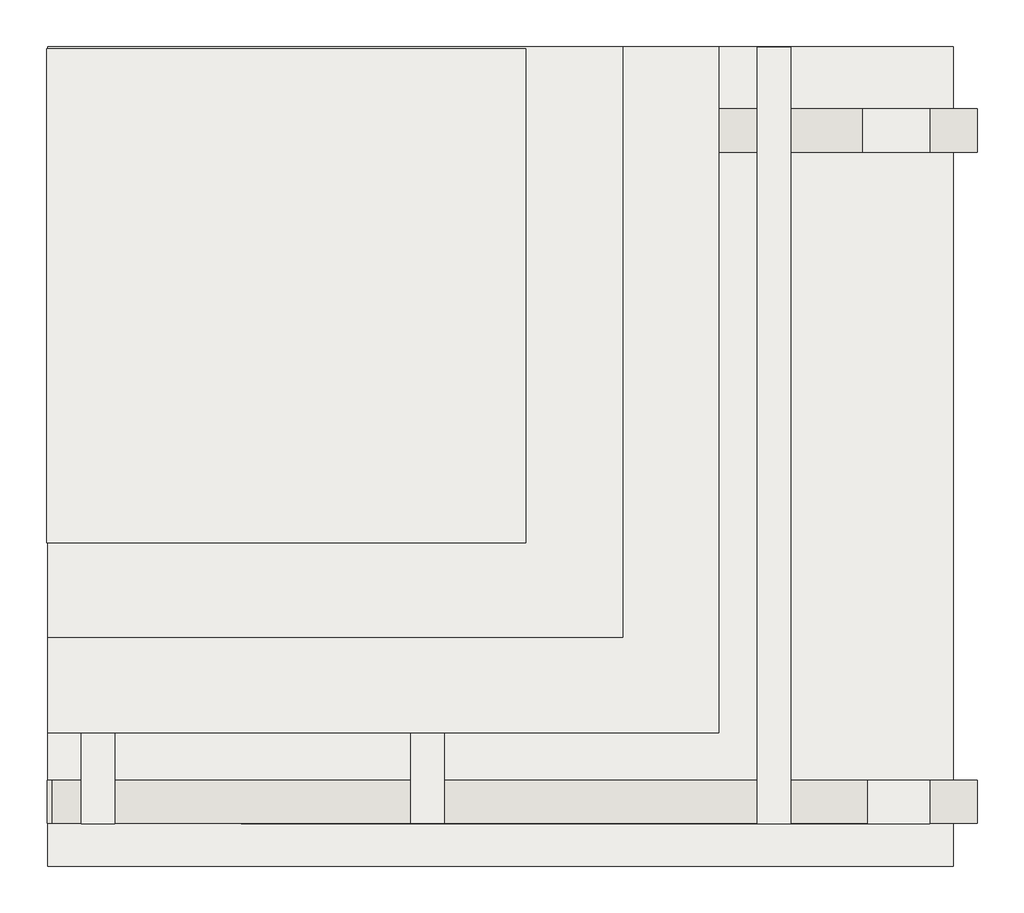
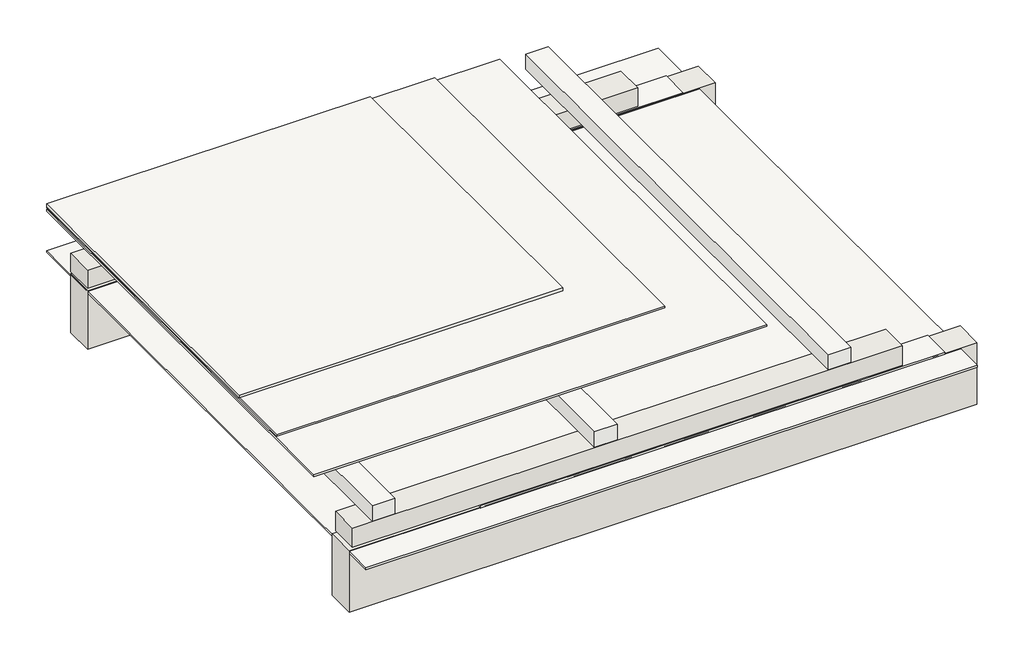
# One storey: 6 slabs, 4 walls, 3 coverings.
"""IFC4 building model written with IfcOpenShell, lengths in millimetres."""

import ifcopenshell
import ifcopenshell.guid

model = None  # the IFC model being written
_history = None  # IfcOwnerHistory: only IFC2X3 demands one
_inside = {}  # id of a spatial element -> (the spatial element, [elements in it])
_under = {}  # id of a project, library or spatial element -> (it, [spatial elements below it])
_declared = {}  # id of a project -> (the project, [libraries it declares])
_typed = {}  # id of a type object -> (the type object, [elements of that type])
_made_of = {}  # id of a material, layer set ... -> (it, [elements and type objects made of it])


def new_model(schema):
    """Start an empty IFC model of exactly this schema.

    Asked for "IFC4X3", IfcOpenShell would pick the latest addendum, in which some entities
    have other attributes; the version numbers below select the first issue.
    IFC2X3 requires an IfcOwnerHistory on every rooted entity: one is made here for all.
    """
    global model, _history
    if schema == "IFC4X3":
        model = ifcopenshell.file(schema_version=(4, 3, 0, 0))
    else:
        model = ifcopenshell.file(schema=schema)
    _inside.clear()
    _under.clear()
    _declared.clear()
    _typed.clear()
    _made_of.clear()
    _history = None
    if model.schema == "IFC2X3":
        org = make("IfcOrganization", Name="unknown")
        user = make(
            "IfcPersonAndOrganization",
            ThePerson=make("IfcPerson", FamilyName="unknown"),
            TheOrganization=org,
        )
        app = make(
            "IfcApplication",
            ApplicationDeveloper=org,
            Version="unknown",
            ApplicationFullName="unknown",
            ApplicationIdentifier="unknown",
        )
        _history = make(
            "IfcOwnerHistory",
            OwningUser=user,
            OwningApplication=app,
            ChangeAction="ADDED",
            CreationDate=0,
        )
    return model


def make(cls, **values):
    """One entity of the class cls with the attributes given. An attribute that is None is left unset."""
    return model.create_entity(
        cls, **{name: value for name, value in values.items() if value is not None}
    )


def rooted(cls, **values):
    """An entity with a GlobalId (a new one), such as an element, a storey or a relation."""
    return make(cls, GlobalId=ifcopenshell.guid.new(), OwnerHistory=_history, **values)


def si_unit(unit_type, name, prefix=None):
    """IfcSIUnit, for example si_unit("LENGTHUNIT", "METRE", prefix="MILLI")."""
    return make("IfcSIUnit", UnitType=unit_type, Prefix=prefix, Name=name)


def assignment(units):
    """IfcUnitAssignment: the units of a project."""
    return None if units is None else make("IfcUnitAssignment", Units=units)


def point(xyz):
    """IfcCartesianPoint."""
    return None if xyz is None else make("IfcCartesianPoint", Coordinates=xyz)


def direction(xyz):
    """IfcDirection."""
    return None if xyz is None else make("IfcDirection", DirectionRatios=xyz)


def frame(location, z_axis=None, x_axis=None):
    """IfcAxis2Placement3D, a coordinate frame: its origin and axes. An axis left out is left unset."""
    return make(
        "IfcAxis2Placement3D",
        Location=point(location),
        Axis=direction(z_axis),
        RefDirection=direction(x_axis),
    )


def origin():
    """The frame at (0, 0, 0) with its axes left unset."""
    return frame((0.0, 0.0, 0.0))


def place(relative_to, where):
    """IfcLocalPlacement: puts the frame where relative to a parent placement (None: the world)."""
    return make(
        "IfcLocalPlacement", PlacementRelTo=relative_to, RelativePlacement=where
    )


def context(
    kind, dimensions, precision=None, world=None, true_north=None, identifier=None
):
    """IfcGeometricRepresentationContext, for example the 3D "Model" context."""
    return make(
        "IfcGeometricRepresentationContext",
        ContextIdentifier=identifier,
        ContextType=kind,
        CoordinateSpaceDimension=dimensions,
        Precision=precision,
        WorldCoordinateSystem=world,
        TrueNorth=true_north,
    )


def project(units=None, contexts=None):
    """IfcProject with its units and contexts."""
    return rooted(
        "IfcProject",
        Name="project",
        RepresentationContexts=contexts,
        UnitsInContext=assignment(units),
    )


def spatial(cls, under=None, at=None, **own):
    """A site, building, storey or space (cls), placed at a placement, below another one or the project."""
    s = rooted(cls, ObjectPlacement=at, **own)
    if under is not None:
        _under.setdefault(under.id(), (under, []))[1].append(s)
    return s


def polyline(points):
    """IfcPolyline through the points."""
    return make("IfcPolyline", Points=[point(p) for p in points])


def outline(outer, holes=None, kind="AREA"):
    """IfcArbitraryClosedProfileDef: a profile drawn as a closed curve; with holes, ...WithVoids."""
    if holes is None:
        return make("IfcArbitraryClosedProfileDef", ProfileType=kind, OuterCurve=outer)
    return make(
        "IfcArbitraryProfileDefWithVoids",
        ProfileType=kind,
        OuterCurve=outer,
        InnerCurves=holes,
    )


def extrude(swept, where, along, depth):
    """IfcExtrudedAreaSolid: the profile swept, set in the frame where, extruded along a direction by depth."""
    return make(
        "IfcExtrudedAreaSolid",
        SweptArea=swept,
        Position=where,
        ExtrudedDirection=direction(along),
        Depth=depth,
    )


def shape(context_of_items, identifier, shape_type, items):
    """IfcShapeRepresentation: the items that make up one representation, for example the "Body"."""
    return make(
        "IfcShapeRepresentation",
        ContextOfItems=context_of_items,
        RepresentationIdentifier=identifier,
        RepresentationType=shape_type,
        Items=items,
    )


def made_of(thing, what):
    """Note that an element or type object is made of a material, layer set ...; save() writes the relation."""
    if what is not None:
        _made_of.setdefault(what.id(), (what, []))[1].append(thing)
    return thing


def element(
    cls,
    number,
    at=None,
    inside=None,
    cuts=None,
    type_object=None,
    material=None,
    context=None,
    identifier="Body",
    shape_type=None,
    held_by="IfcProductDefinitionShape",
    body=None,
    shapes=None,
    **own,
):
    """One element of the class cls, such as IfcWall. Its Tag is "e" and its number.

    at: its placement. inside: the storey or other place that contains it. cuts: it is an
    opening in that element (IfcRelVoidsElement). A single representation is given by context,
    identifier, shape_type and body (its items); several are given by shapes. held_by: the class
    of the entity that holds the representations. save() writes the other relations.
    """
    e = rooted(cls, Tag="e%d" % number, ObjectPlacement=at, **own)
    if body is not None:
        shapes = [shape(context, identifier, shape_type, body)]
    if shapes is not None:
        e.Representation = make(held_by, Representations=shapes)
    if inside is not None:
        _inside.setdefault(inside.id(), (inside, []))[1].append(e)
    if cuts is not None:
        rooted(
            "IfcRelVoidsElement", RelatingBuildingElement=cuts, RelatedOpeningElement=e
        )
    if type_object is not None:
        _typed.setdefault(type_object.id(), (type_object, []))[1].append(e)
    return made_of(e, material)


def aggregate(whole, parts):
    """IfcRelAggregates: a whole, such as a stair, and the parts it consists of."""
    return rooted("IfcRelAggregates", RelatingObject=whole, RelatedObjects=parts)


def save(model, path):
    """Write the relations noted so far, then the file.

    IfcRelAggregates (storeys below a building ...), IfcRelContainedInSpatialStructure (elements
    in a storey), IfcRelDefinesByType, IfcRelAssociatesMaterial and IfcRelDeclares: one each for
    every whole, place, type object, material and project.
    """
    for whole, parts in _under.values():
        aggregate(whole, parts)
    for where, things in _inside.values():
        rooted(
            "IfcRelContainedInSpatialStructure",
            RelatedElements=things,
            RelatingStructure=where,
        )
    for kind, things in _typed.values():
        rooted("IfcRelDefinesByType", RelatedObjects=things, RelatingType=kind)
    for what, things in _made_of.values():
        rooted("IfcRelAssociatesMaterial", RelatedObjects=things, RelatingMaterial=what)
    for by, libraries in _declared.values():
        rooted("IfcRelDeclares", RelatingContext=by, RelatedDefinitions=libraries)
    model.write(path)


model = new_model("IFC4")

# Units and contexts
model_context = context("Model", 3, world=origin())
ifc_project = project(units=[si_unit("LENGTHUNIT", "METRE", prefix="MILLI")], contexts=[model_context])

# Site, building, storey
site = spatial("IfcSite", under=ifc_project)
building = spatial("IfcBuilding", under=site)
storey = spatial("IfcBuildingStorey", under=building, Elevation=0.0)

# Coverings
placement = place(None, origin())
element("IfcCovering", 1, at=placement, inside=storey, context=model_context, shape_type="SweptSolid", body=[
    extrude(outline(polyline([(-21528.3504213, -13006.3469684), (-21528.3504213, -12826.3469684), (-18657.2939347, -12826.3469684), (-18657.2939347, -13006.3469684), (-21528.3504213, -13006.3469684)])), frame((0.0, 0.0, 679.0594732), z_axis=(0.0, 0.0, 1.0), x_axis=(1.0, 0.0, 0.0)), (0.0, 0.0, 1.0), 15.0),
])
element("IfcCovering", 2, at=placement, inside=storey, context=model_context, shape_type="SweptSolid", body=[
    extrude(outline(polyline([(-21528.3504213, -10205.1627244), (-21528.3504213, -10025.1627244), (-18657.2939347, -10025.1627244), (-18657.2939347, -10205.1627244), (-21528.3504213, -10205.1627244)])), frame((0.0, 0.0, 677.0970148), z_axis=(0.0, 0.0, 1.0), x_axis=(1.0, 0.0, 0.0)), (0.0, 0.0, 1.0), 15.0),
])
element("IfcCovering", 3, at=placement, inside=storey, context=model_context, shape_type="SweptSolid", body=[
    extrude(outline(polyline([(-22341.0202886, -11834.3191871), (-22341.0202886, -9773.5152085), (-20341.0202886, -9773.5152085), (-20341.0202886, -11834.3191871), (-22341.0202886, -11834.3191871)])), frame((0.0, 0.0, 975.0), z_axis=(0.0, 0.0, 1.0), x_axis=(1.0, 0.0, 0.0)), (0.0, 0.0, 1.0), 17.0),
])

# Slabs
element("IfcSlab", 4, at=placement, inside=storey, context=model_context, shape_type="SweptSolid", body=[
    extrude(outline(polyline([(-18557.2939347, -9764.8301266), (-18557.2939347, -13184.8301266), (-22336.9882894, -13184.8301266), (-22336.9882894, -9764.8301266), (-18557.2939347, -9764.8301266)])), frame((0.0, 0.0, 670.0), z_axis=(0.0, 0.0, 1.0), x_axis=(1.0, 0.0, 0.0)), (0.0, 0.0, 1.0), 10.0),
])
element("IfcSlab", 5, at=placement, inside=storey, context=model_context, shape_type="SweptSolid", body=[
    extrude(outline(polyline([(-19236.9882894, -9767.4632794), (-19236.9882894, -13007.4632794), (-19376.9882894, -13007.4632794), (-19376.9882894, -9767.4632794), (-19236.9882894, -9767.4632794)])), frame((0.0, 0.0, 830.0), z_axis=(0.0, 0.0, 1.0), x_axis=(1.0, 0.0, 0.0)), (0.0, 0.0, 1.0), 100.0),
])
element("IfcSlab", 6, at=placement, inside=storey, context=model_context, shape_type="SweptSolid", body=[
    extrude(outline(polyline([(-19536.9882894, -9766.4765503), (-19536.9882894, -12627.7304326), (-22336.9882894, -12627.7304326), (-22336.9882894, -9766.4765503), (-19536.9882894, -9766.4765503)])), frame((0.0, 0.0, 940.0), z_axis=(0.0, 0.0, 1.0), x_axis=(1.0, 0.0, 0.0)), (0.0, 0.0, 1.0), 11.0),
])
element("IfcSlab", 7, at=placement, inside=storey, context=model_context, shape_type="SweptSolid", body=[
    extrude(outline(polyline([(-19936.9882894, -9766.1894366), (-19936.9882894, -12228.6972012), (-22336.9882894, -12228.6972012), (-22336.9882894, -9766.1894366), (-19936.9882894, -9766.1894366)])), frame((0.0, 0.0, 960.0), z_axis=(0.0, 0.0, 1.0), x_axis=(1.0, 0.0, 0.0)), (0.0, 0.0, 1.0), 10.0),
])
element("IfcSlab", 8, at=placement, inside=storey, context=model_context, shape_type="SweptSolid", body=[
    extrude(outline(polyline([(-20681.8251459, -9766.1636941), (-20681.8251459, -13006.1636941), (-20821.8251459, -13006.1636941), (-20821.8251459, -9766.1636941), (-20681.8251459, -9766.1636941)])), frame((0.0, 0.0, 830.0), z_axis=(0.0, 0.0, 1.0), x_axis=(1.0, 0.0, 0.0)), (0.0, 0.0, 1.0), 100.0),
])
element("IfcSlab", 9, at=placement, inside=storey, context=model_context, shape_type="SweptSolid", body=[
    extrude(outline(polyline([(-22056.9882894, -9767.4632794), (-22056.9882894, -13007.4632794), (-22196.9882894, -13007.4632794), (-22196.9882894, -9767.4632794), (-22056.9882894, -9767.4632794)])), frame((0.0, 0.0, 830.0), z_axis=(0.0, 0.0, 1.0), x_axis=(1.0, 0.0, 0.0)), (0.0, 0.0, 1.0), 100.0),
])

# Walls
element("IfcWall", 10, at=placement, inside=storey, context=model_context, shape_type="SweptSolid", body=[
    extrude(outline(polyline([(-22337.2939347, -12824.8301266), (-18457.2939347, -12824.8301266), (-18457.2939347, -13004.8301266), (-22337.2939347, -13004.8301266), (-22337.2939347, -12824.8301266)])), frame((0.0, 0.0, 282.1741273), z_axis=(0.0, 0.0, 1.0), x_axis=(1.0, 0.0, 0.0)), (0.0, 0.0, 1.0), 402.8258727),
])
element("IfcWall", 11, at=placement, inside=storey, context=model_context, shape_type="SweptSolid", body=[
    extrude(outline(polyline([(-22336.9882894, -10024.8301266), (-18457.2939347, -10024.8301266), (-18457.2939347, -10204.8301266), (-22336.9882894, -10204.8301266), (-22336.9882894, -10024.8301266)])), frame((0.0, 0.0, 302.0970148), z_axis=(0.0, 0.0, 1.0), x_axis=(1.0, 0.0, 0.0)), (0.0, 0.0, 1.0), 382.9029852),
])
element("IfcWall", 12, at=placement, inside=storey, context=model_context, shape_type="SweptSolid", body=[
    extrude(outline(polyline([(-22336.9882894, -10024.8301266), (-18937.2939347, -10024.8301266), (-18937.2939347, -10204.8301266), (-22336.9882894, -10204.8301266), (-22336.9882894, -10024.8301266)])), frame((0.0, 0.0, 700.0), z_axis=(0.0, 0.0, 1.0), x_axis=(1.0, 0.0, 0.0)), (0.0, 0.0, 1.0), 120.0),
])
element("IfcWall", 13, at=placement, inside=storey, context=model_context, shape_type="SweptSolid", body=[
    extrude(outline(polyline([(-22317.2939347, -12825.6341052), (-18917.2939347, -12825.6341052), (-18917.2939347, -13005.6341052), (-22317.2939347, -13005.6341052), (-22317.2939347, -12825.6341052)])), frame((0.0, 0.0, 700.0), z_axis=(0.0, 0.0, 1.0), x_axis=(1.0, 0.0, 0.0)), (0.0, 0.0, 1.0), 125.0),
])

save(model, "model.ifc")
